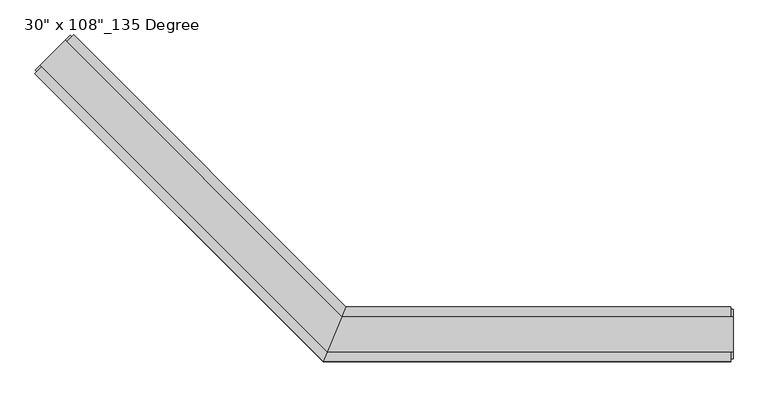
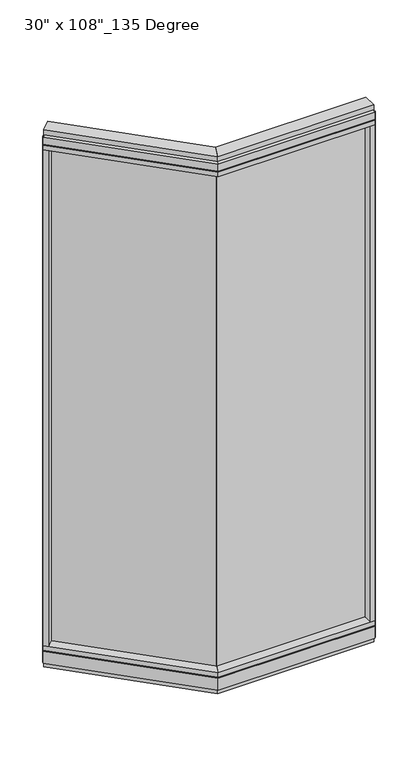
"""IFC4 building model written with IfcOpenShell, lengths in millimetres: furniture geometry."""

from ifc_helpers import new_model, si_unit, frame, origin, origin_with_axes, place, context, project, spatial, polyline, outline, extrude, faceted_brep, source, transform, mapped, element, save


def furniture_a2821329(model_context):
    return source(origin(), model_context, "Body", "SolidModel", [
        extrude(outline(polyline([(-929.0236406, 497.3272401), (-921.8394357, 504.511445), (-414.9937802, -2.3342105), (-422.1779851, -9.5184154), (-929.0236406, 497.3272401)])), frame((0.0, 0.0, 120.523), z_axis=(0.0, 0.0, 1.0), x_axis=(1.0, 0.0, 0.0)), (0.0, 0.0, 1.0), 2533.777),
        extrude(outline(polyline([(-905.2259618, 552.5558152), (-398.952425, 46.2822784), (-441.0365229, -55.3177216), (-977.0680108, 480.7137662), (-905.2259618, 552.5558152)])), frame((0.0, 0.0, 2654.3), z_axis=(0.0, 0.0, 1.0), x_axis=(1.0, 0.0, 0.0)), (0.0, 0.0, 1.0), 22.225),
        faceted_brep([(-398.952425, 46.2822784, 2681.478), (-398.952425, 46.2822784, 2717.8), (-441.0365229, -55.3177216, 2717.8), (-441.0365229, -55.3177216, 2681.478), (-438.9849232, -50.3647216, 2681.478), (-438.9849232, -50.3647216, 2676.525), (-401.0040248, 41.3292784, 2676.525), (-401.0040248, 41.3292784, 2681.478), (-905.2259618, 552.5558152, 2681.478), (-908.7282617, 549.0535153, 2681.478), (-908.7282617, 549.0535153, 2676.525), (-973.5657109, 484.2160661, 2676.525), (-973.5657109, 484.2160661, 2681.478), (-977.0680108, 480.7137662, 2681.478), (-977.0680108, 480.7137662, 2717.8), (-905.2259618, 552.5558152, 2717.8)], [[[0, 1, 2, 3, 4, 5, 6, 7]], [[8, 9, 10, 11, 12, 13, 14, 15]], [[8, 0, 7, 9]], [[13, 3, 2, 14]], [[14, 2, 1, 15]], [[15, 1, 0, 8]], [[9, 7, 6, 10]], [[10, 6, 5, 11]], [[11, 5, 4, 12]], [[12, 4, 3, 13]]]),
        extrude(outline(polyline([(-920.94141, 542.4081258), (-406.5275626, 27.9942784), (-433.4613853, -37.0297216), (-966.9203214, 496.4292145), (-920.94141, 542.4081258)])), frame((0.0, 0.0, 2717.8), z_axis=(0.0, 0.0, 1.0), x_axis=(1.0, 0.0, 0.0)), (0.0, 0.0, 1.0), 25.4),
        faceted_brep([(-401.0040248, 41.3292784, 93.345), (-401.0040248, 41.3292784, 98.298), (-438.9849232, -50.3647216, 98.298), (-438.9849232, -50.3647216, 93.345), (-441.0365229, -55.3177216, 93.345), (-441.0365229, -55.3177216, 31.75), (-398.952425, 46.2822784, 31.75), (-398.952425, 46.2822784, 93.345), (-905.2259618, 552.5558152, 93.345), (-905.2259618, 552.5558152, 31.75), (-977.0680108, 480.7137662, 31.75), (-977.0680108, 480.7137662, 93.345), (-973.5657109, 484.2160661, 93.345), (-973.5657109, 484.2160661, 98.298), (-908.7282617, 549.0535153, 98.298), (-908.7282617, 549.0535153, 93.345)], [[[0, 1, 2, 3, 4, 5, 6, 7]], [[8, 9, 10, 11, 12, 13, 14, 15]], [[15, 0, 7, 8]], [[10, 5, 4, 11]], [[9, 6, 5, 10]], [[8, 7, 6, 9]], [[14, 1, 0, 15]], [[13, 2, 1, 14]], [[12, 3, 2, 13]], [[11, 4, 3, 12]]]),
        extrude(outline(polyline([(-905.2259618, 552.5558152), (-398.952425, 46.2822784), (-441.0365229, -55.3177216), (-977.0680108, 480.7137662), (-905.2259618, 552.5558152)])), frame((0.0, 0.0, 98.298), z_axis=(0.0, 0.0, 1.0), x_axis=(1.0, 0.0, 0.0)), (0.0, 0.0, 1.0), 22.225),
        extrude(outline(polyline([(-920.94141, 542.4081258), (-406.5275626, 27.9942784), (-433.4613853, -37.0297216), (-966.9203214, 496.4292145), (-920.94141, 542.4081258)])), origin_with_axes(), (0.0, 0.0, 1.0), 31.75),
        extrude(outline(polyline([(-961.3525626, 464.998318), (-977.0680108, 480.7137662), (-905.2259618, 552.5558152), (-889.5105136, 536.840367), (-961.3525626, 464.998318)])), frame((0.0, 0.0, 120.523), z_axis=(0.0, 0.0, 1.0), x_axis=(1.0, 0.0, 0.0)), (0.0, 0.0, 1.0), 2533.777),
        extrude(outline(polyline([(-976.3495903, 486.9999455), (-911.5121411, 551.8373947), (-908.7282617, 549.0535153), (-973.5657109, 484.2160661), (-976.3495903, 486.9999455)])), frame((0.0, 0.0, 31.75), z_axis=(0.0, 0.0, 1.0), x_axis=(1.0, 0.0, 0.0)), (0.0, 0.0, 1.0), 2686.05),
        extrude(outline(polyline([(294.8014771, -9.5977216), (-421.9865229, -9.5977216), (-421.9865229, 0.5622784), (294.8014771, 0.5622784), (294.8014771, -9.5977216)])), frame((0.0, 0.0, 120.523), z_axis=(0.0, 0.0, 1.0), x_axis=(1.0, 0.0, 0.0)), (0.0, 0.0, 1.0), 2533.777),
        extrude(outline(polyline([(317.0264771, 46.2822784), (317.0264771, -55.3177216), (-441.0365229, -55.3177216), (-398.952425, 46.2822784), (317.0264771, 46.2822784)])), frame((0.0, 0.0, 2654.3), z_axis=(0.0, 0.0, 1.0), x_axis=(1.0, 0.0, 0.0)), (0.0, 0.0, 1.0), 22.225),
        faceted_brep([(-398.952425, 46.2822784, 2681.478), (-401.0040248, 41.3292784, 2681.478), (-401.0040248, 41.3292784, 2676.525), (-438.9849232, -50.3647216, 2676.525), (-438.9849232, -50.3647216, 2681.478), (-441.0365229, -55.3177216, 2681.478), (-441.0365229, -55.3177216, 2717.8), (-398.952425, 46.2822784, 2717.8), (317.0264771, 46.2822784, 2681.478), (317.0264771, 46.2822784, 2717.8), (317.0264771, -55.3177216, 2717.8), (317.0264771, -55.3177216, 2681.478), (317.0264771, -50.3647216, 2681.478), (317.0264771, -50.3647216, 2676.525), (317.0264771, 41.3292784, 2676.525), (317.0264771, 41.3292784, 2681.478)], [[[0, 1, 2, 3, 4, 5, 6, 7]], [[8, 9, 10, 11, 12, 13, 14, 15]], [[8, 15, 1, 0]], [[11, 10, 6, 5]], [[10, 9, 7, 6]], [[9, 8, 0, 7]], [[15, 14, 2, 1]], [[14, 13, 3, 2]], [[13, 12, 4, 3]], [[12, 11, 5, 4]]]),
        extrude(outline(polyline([(320.9634771, 27.9942784), (320.9634771, -37.0297216), (-433.4613853, -37.0297216), (-406.5275626, 27.9942784), (320.9634771, 27.9942784)])), frame((0.0, 0.0, 2717.8), z_axis=(0.0, 0.0, 1.0), x_axis=(1.0, 0.0, 0.0)), (0.0, 0.0, 1.0), 25.4),
        faceted_brep([(-401.0040248, 41.3292784, 93.345), (-398.952425, 46.2822784, 93.345), (-398.952425, 46.2822784, 31.75), (-441.0365229, -55.3177216, 31.75), (-441.0365229, -55.3177216, 93.345), (-438.9849232, -50.3647216, 93.345), (-438.9849232, -50.3647216, 98.298), (-401.0040248, 41.3292784, 98.298), (317.0264771, 46.2822784, 93.345), (317.0264771, 41.3292784, 93.345), (317.0264771, 41.3292784, 98.298), (317.0264771, -50.3647216, 98.298), (317.0264771, -50.3647216, 93.345), (317.0264771, -55.3177216, 93.345), (317.0264771, -55.3177216, 31.75), (317.0264771, 46.2822784, 31.75)], [[[0, 1, 2, 3, 4, 5, 6, 7]], [[8, 9, 10, 11, 12, 13, 14, 15]], [[9, 8, 1, 0]], [[14, 13, 4, 3]], [[15, 14, 3, 2]], [[8, 15, 2, 1]], [[10, 9, 0, 7]], [[11, 10, 7, 6]], [[12, 11, 6, 5]], [[13, 12, 5, 4]]]),
        extrude(outline(polyline([(317.0264771, 46.2822784), (317.0264771, -55.3177216), (-441.0365229, -55.3177216), (-398.952425, 46.2822784), (317.0264771, 46.2822784)])), frame((0.0, 0.0, 98.298), z_axis=(0.0, 0.0, 1.0), x_axis=(1.0, 0.0, 0.0)), (0.0, 0.0, 1.0), 22.225),
        extrude(outline(polyline([(320.9634771, 27.9942784), (320.9634771, -37.0297216), (-433.4613853, -37.0297216), (-406.5275626, 27.9942784), (320.9634771, 27.9942784)])), origin_with_axes(), (0.0, 0.0, 1.0), 31.75),
        extrude(outline(polyline([(294.8014771, -55.3177216), (294.8014771, 46.2822784), (317.0264771, 46.2822784), (317.0264771, -55.3177216), (294.8014771, -55.3177216)])), frame((0.0, 0.0, 120.523), z_axis=(0.0, 0.0, 1.0), x_axis=(1.0, 0.0, 0.0)), (0.0, 0.0, 1.0), 2533.777),
        extrude(outline(polyline([(320.9634771, -50.3647216), (317.0264771, -50.3647216), (317.0264771, 41.3292784), (320.9634771, 41.3292784), (320.9634771, -50.3647216)])), frame((0.0, 0.0, 31.75), z_axis=(0.0, 0.0, 1.0), x_axis=(1.0, 0.0, 0.0)), (0.0, 0.0, 1.0), 2686.05),
    ])


if __name__ == "__main__":
    model = new_model("IFC4")
    model_context = context("Model", 3, world=origin())
    ifc_project = project(units=[si_unit("LENGTHUNIT", "METRE", prefix="MILLI")], contexts=[model_context])
    site = spatial("IfcSite", under=ifc_project)
    building = spatial("IfcBuilding", under=site)
    placement = place(None, origin())
    furniture_shape = furniture_a2821329(model_context)
    element("IfcFurniture", 1, ObjectType="30\" x 108\"_135 Degree", at=placement, inside=building, context=model_context, shape_type="MappedRepresentation", body=[
        mapped(furniture_shape, transform((0.0, 0.0, 0.0), x_axis=(1.0, 0.0, 0.0), y_axis=(0.0, 1.0, 0.0), z_axis=(0.0, 0.0, 1.0))),
    ])
    save(model, "model.ifc")
